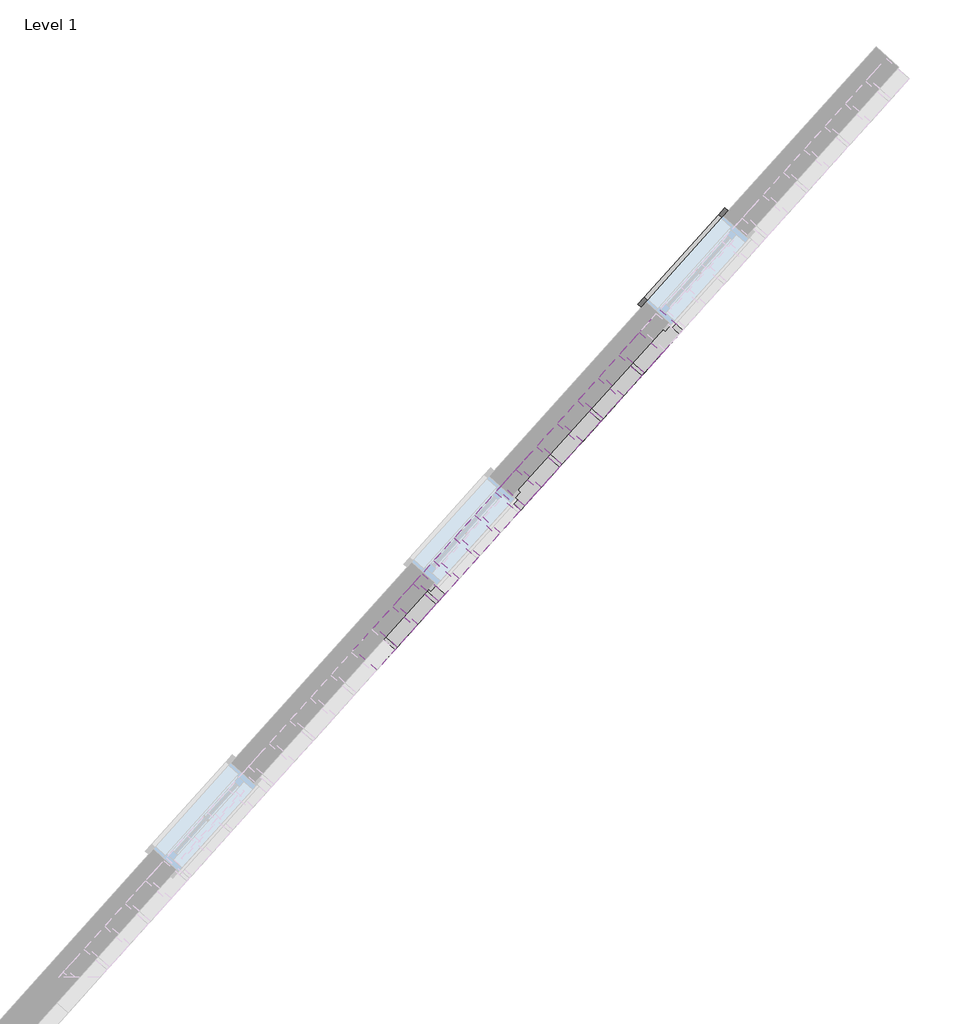
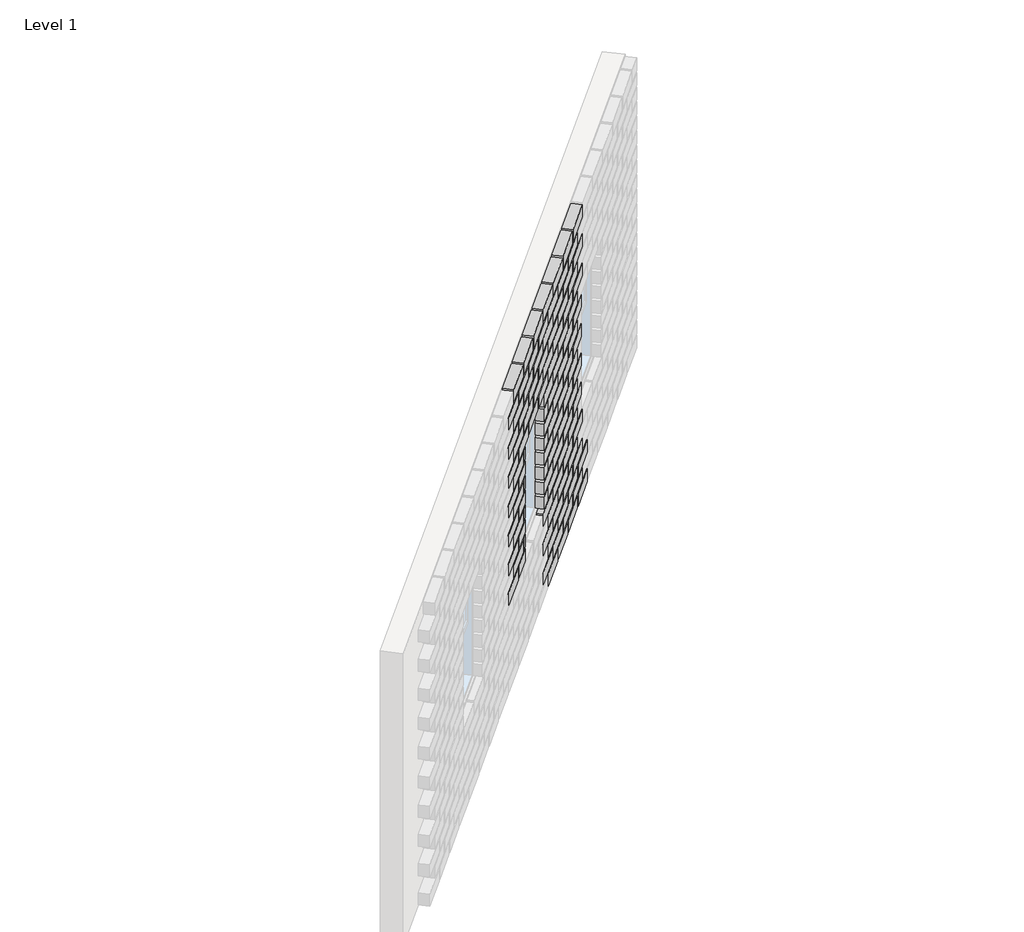
# One storey, part 3 of 4: 114 proxies.
"""IFC4 building model written with IfcOpenShell, lengths in millimetres."""

import ifcopenshell
import ifcopenshell.guid

model = None  # the IFC model being written
_history = None  # IfcOwnerHistory: only IFC2X3 demands one
_inside = {}  # id of a spatial element -> (the spatial element, [elements in it])
_under = {}  # id of a project, library or spatial element -> (it, [spatial elements below it])
_declared = {}  # id of a project -> (the project, [libraries it declares])
_typed = {}  # id of a type object -> (the type object, [elements of that type])
_made_of = {}  # id of a material, layer set ... -> (it, [elements and type objects made of it])


def new_model(schema):
    """Start an empty IFC model of exactly this schema.

    Asked for "IFC4X3", IfcOpenShell would pick the latest addendum, in which some entities
    have other attributes; the version numbers below select the first issue.
    IFC2X3 requires an IfcOwnerHistory on every rooted entity: one is made here for all.
    """
    global model, _history
    if schema == "IFC4X3":
        model = ifcopenshell.file(schema_version=(4, 3, 0, 0))
    else:
        model = ifcopenshell.file(schema=schema)
    _inside.clear()
    _under.clear()
    _declared.clear()
    _typed.clear()
    _made_of.clear()
    _history = None
    if model.schema == "IFC2X3":
        org = make("IfcOrganization", Name="unknown")
        user = make(
            "IfcPersonAndOrganization",
            ThePerson=make("IfcPerson", FamilyName="unknown"),
            TheOrganization=org,
        )
        app = make(
            "IfcApplication",
            ApplicationDeveloper=org,
            Version="unknown",
            ApplicationFullName="unknown",
            ApplicationIdentifier="unknown",
        )
        _history = make(
            "IfcOwnerHistory",
            OwningUser=user,
            OwningApplication=app,
            ChangeAction="ADDED",
            CreationDate=0,
        )
    return model


def make(cls, **values):
    """One entity of the class cls with the attributes given. An attribute that is None is left unset."""
    return model.create_entity(
        cls, **{name: value for name, value in values.items() if value is not None}
    )


def rooted(cls, **values):
    """An entity with a GlobalId (a new one), such as an element, a storey or a relation."""
    return make(cls, GlobalId=ifcopenshell.guid.new(), OwnerHistory=_history, **values)


def si_unit(unit_type, name, prefix=None):
    """IfcSIUnit, for example si_unit("LENGTHUNIT", "METRE", prefix="MILLI")."""
    return make("IfcSIUnit", UnitType=unit_type, Prefix=prefix, Name=name)


def assignment(units):
    """IfcUnitAssignment: the units of a project."""
    return None if units is None else make("IfcUnitAssignment", Units=units)


def point(xyz):
    """IfcCartesianPoint."""
    return None if xyz is None else make("IfcCartesianPoint", Coordinates=xyz)


def direction(xyz):
    """IfcDirection."""
    return None if xyz is None else make("IfcDirection", DirectionRatios=xyz)


def frame(location, z_axis=None, x_axis=None):
    """IfcAxis2Placement3D, a coordinate frame: its origin and axes. An axis left out is left unset."""
    return make(
        "IfcAxis2Placement3D",
        Location=point(location),
        Axis=direction(z_axis),
        RefDirection=direction(x_axis),
    )


def origin():
    """The frame at (0, 0, 0) with its axes left unset."""
    return frame((0.0, 0.0, 0.0))


def origin_with_axes():
    """The frame at (0, 0, 0) with the z axis (0, 0, 1) and the x axis (1, 0, 0) written out."""
    return frame((0.0, 0.0, 0.0), z_axis=(0.0, 0.0, 1.0), x_axis=(1.0, 0.0, 0.0))


def place(relative_to, where):
    """IfcLocalPlacement: puts the frame where relative to a parent placement (None: the world)."""
    return make(
        "IfcLocalPlacement", PlacementRelTo=relative_to, RelativePlacement=where
    )


def context(
    kind, dimensions, precision=None, world=None, true_north=None, identifier=None
):
    """IfcGeometricRepresentationContext, for example the 3D "Model" context."""
    return make(
        "IfcGeometricRepresentationContext",
        ContextIdentifier=identifier,
        ContextType=kind,
        CoordinateSpaceDimension=dimensions,
        Precision=precision,
        WorldCoordinateSystem=world,
        TrueNorth=true_north,
    )


def project(units=None, contexts=None):
    """IfcProject with its units and contexts."""
    return rooted(
        "IfcProject",
        Name="project",
        RepresentationContexts=contexts,
        UnitsInContext=assignment(units),
    )


def spatial(cls, under=None, at=None, **own):
    """A site, building, storey or space (cls), placed at a placement, below another one or the project."""
    s = rooted(cls, ObjectPlacement=at, **own)
    if under is not None:
        _under.setdefault(under.id(), (under, []))[1].append(s)
    return s


def polyline(points):
    """IfcPolyline through the points."""
    return make("IfcPolyline", Points=[point(p) for p in points])


def outline(outer, holes=None, kind="AREA"):
    """IfcArbitraryClosedProfileDef: a profile drawn as a closed curve; with holes, ...WithVoids."""
    if holes is None:
        return make("IfcArbitraryClosedProfileDef", ProfileType=kind, OuterCurve=outer)
    return make(
        "IfcArbitraryProfileDefWithVoids",
        ProfileType=kind,
        OuterCurve=outer,
        InnerCurves=holes,
    )


def extrude(swept, where, along, depth):
    """IfcExtrudedAreaSolid: the profile swept, set in the frame where, extruded along a direction by depth."""
    return make(
        "IfcExtrudedAreaSolid",
        SweptArea=swept,
        Position=where,
        ExtrudedDirection=direction(along),
        Depth=depth,
    )


def shape(context_of_items, identifier, shape_type, items):
    """IfcShapeRepresentation: the items that make up one representation, for example the "Body"."""
    return make(
        "IfcShapeRepresentation",
        ContextOfItems=context_of_items,
        RepresentationIdentifier=identifier,
        RepresentationType=shape_type,
        Items=items,
    )


def source(mapping_origin, context_of_items, identifier, shape_type, items):
    """IfcRepresentationMap: a shape defined once, which mapped items show again and again."""
    return make(
        "IfcRepresentationMap",
        MappingOrigin=mapping_origin,
        MappedRepresentation=shape(context_of_items, identifier, shape_type, items),
    )


def transform(
    local_origin,
    x_axis=None,
    y_axis=None,
    z_axis=None,
    scale=None,
    scale2=None,
    scale3=None,
    uniform=True,
):
    """IfcCartesianTransformationOperator3D, or its non-uniform kind. x_axis, y_axis, z_axis: its Axis1, 2, 3."""
    if uniform:
        return make(
            "IfcCartesianTransformationOperator3D",
            Axis1=direction(x_axis),
            Axis2=direction(y_axis),
            LocalOrigin=point(local_origin),
            Scale=scale,
            Axis3=direction(z_axis),
        )
    return make(
        "IfcCartesianTransformationOperator3DnonUniform",
        Axis1=direction(x_axis),
        Axis2=direction(y_axis),
        LocalOrigin=point(local_origin),
        Scale=scale,
        Axis3=direction(z_axis),
        Scale2=scale2,
        Scale3=scale3,
    )


def mapped(mapping_source, mapping_target):
    """IfcMappedItem: shows the shape of a source again, moved by a transform."""
    return make(
        "IfcMappedItem", MappingSource=mapping_source, MappingTarget=mapping_target
    )


def made_of(thing, what):
    """Note that an element or type object is made of a material, layer set ...; save() writes the relation."""
    if what is not None:
        _made_of.setdefault(what.id(), (what, []))[1].append(thing)
    return thing


def element(
    cls,
    number,
    at=None,
    inside=None,
    cuts=None,
    type_object=None,
    material=None,
    context=None,
    identifier="Body",
    shape_type=None,
    held_by="IfcProductDefinitionShape",
    body=None,
    shapes=None,
    **own,
):
    """One element of the class cls, such as IfcWall. Its Tag is "e" and its number.

    at: its placement. inside: the storey or other place that contains it. cuts: it is an
    opening in that element (IfcRelVoidsElement). A single representation is given by context,
    identifier, shape_type and body (its items); several are given by shapes. held_by: the class
    of the entity that holds the representations. save() writes the other relations.
    """
    e = rooted(cls, Tag="e%d" % number, ObjectPlacement=at, **own)
    if body is not None:
        shapes = [shape(context, identifier, shape_type, body)]
    if shapes is not None:
        e.Representation = make(held_by, Representations=shapes)
    if inside is not None:
        _inside.setdefault(inside.id(), (inside, []))[1].append(e)
    if cuts is not None:
        rooted(
            "IfcRelVoidsElement", RelatingBuildingElement=cuts, RelatedOpeningElement=e
        )
    if type_object is not None:
        _typed.setdefault(type_object.id(), (type_object, []))[1].append(e)
    return made_of(e, material)


def aggregate(whole, parts):
    """IfcRelAggregates: a whole, such as a stair, and the parts it consists of."""
    return rooted("IfcRelAggregates", RelatingObject=whole, RelatedObjects=parts)


def save(model, path):
    """Write the relations noted so far, then the file.

    IfcRelAggregates (storeys below a building ...), IfcRelContainedInSpatialStructure (elements
    in a storey), IfcRelDefinesByType, IfcRelAssociatesMaterial and IfcRelDeclares: one each for
    every whole, place, type object, material and project.
    """
    for whole, parts in _under.values():
        aggregate(whole, parts)
    for where, things in _inside.values():
        rooted(
            "IfcRelContainedInSpatialStructure",
            RelatedElements=things,
            RelatingStructure=where,
        )
    for kind, things in _typed.values():
        rooted("IfcRelDefinesByType", RelatedObjects=things, RelatingType=kind)
    for what, things in _made_of.values():
        rooted("IfcRelAssociatesMaterial", RelatedObjects=things, RelatingMaterial=what)
    for by, libraries in _declared.values():
        rooted("IfcRelDeclares", RelatingContext=by, RelatedDefinitions=libraries)
    model.write(path)


def brick_brick_1771d6b5(model_context):
    return source(origin(), model_context, "Body", "SweptSolid", [
        extrude(outline(polyline([(187.5, 100.0), (187.5, -100.0), (-187.5, -100.0), (-187.5, 100.0), (187.5, 100.0)])), frame((0.0, 0.0, -62.5), z_axis=(0.0, 0.0, 1.0), x_axis=(1.0, 0.0, 0.0)), (0.0, 0.0, 1.0), 125.0),
    ])


def brick_brick_e667c28f(model_context):
    return source(origin(), model_context, "Body", "SweptSolid", [
        extrude(outline(polyline([(68.9, 100.0), (68.9, -100.0), (-68.9, -100.0), (-68.9, 100.0), (68.9, 100.0)])), frame((0.0, 0.0, -62.5), z_axis=(0.0, 0.0, 1.0), x_axis=(1.0, 0.0, 0.0)), (0.0, 0.0, 1.0), 125.0),
    ])


def brick_brick_93c4e329(model_context):
    return source(origin(), model_context, "Body", "SweptSolid", [
        extrude(outline(polyline([(131.1, 100.0), (131.1, -100.0), (-131.1, -100.0), (-131.1, 100.0), (131.1, 100.0)])), frame((0.0, 0.0, -62.5), z_axis=(0.0, 0.0, 1.0), x_axis=(1.0, 0.0, 0.0)), (0.0, 0.0, 1.0), 125.0),
    ])


def brick_brick_d2aaa16a(model_context):
    return source(origin(), model_context, "Body", "SweptSolid", [
        extrude(outline(polyline([(169.65, 100.0), (169.65, -100.0), (-169.65, -100.0), (-169.65, 100.0), (169.65, 100.0)])), frame((0.0, 0.0, -62.5), z_axis=(0.0, 0.0, 1.0), x_axis=(1.0, 0.0, 0.0)), (0.0, 0.0, 1.0), 125.0),
    ])


def brick_brick_358cc9eb(model_context):
    return source(origin(), model_context, "Body", "SweptSolid", [
        extrude(outline(polyline([(168.9, 100.0), (168.9, -100.0), (-168.9, -100.0), (-168.9, 100.0), (168.9, 100.0)])), frame((0.0, 0.0, -62.5), z_axis=(0.0, 0.0, 1.0), x_axis=(1.0, 0.0, 0.0)), (0.0, 0.0, 1.0), 125.0),
    ])


def brick_brick_7f22ac85(model_context):
    return source(origin(), model_context, "Body", "SweptSolid", [
        extrude(outline(polyline([(31.1, 100.0), (31.1, -100.0), (-31.1, -100.0), (-31.1, 100.0), (31.1, 100.0)])), frame((0.0, 0.0, -62.5), z_axis=(0.0, 0.0, 1.0), x_axis=(1.0, 0.0, 0.0)), (0.0, 0.0, 1.0), 125.0),
    ])


def m_trim_window_interior_flat_picture_frame_31bd2320(model_context):
    return source(origin(), model_context, "Body", "SweptSolid", [
        extrude(outline(polyline([(422.3, 47.3), (422.3, -1247.3), (-422.3, -1247.3), (-422.3, 47.3), (422.3, 47.3)]), holes=[polyline([(362.3, -12.7), (-362.3, -12.7), (-362.3, -1187.3), (362.3, -1187.3), (362.3, -12.7)])]), origin_with_axes(), (0.0, 0.0, 1.0), 30.0),
    ])


model = new_model("IFC4")

# Units and contexts
model_context = context("Model", 3, world=origin())
ifc_project = project(units=[si_unit("LENGTHUNIT", "METRE", prefix="MILLI")], contexts=[model_context])

# Site, building, storey
site = spatial("IfcSite", under=ifc_project)
building = spatial("IfcBuilding", under=site)
storey = spatial("IfcBuildingStorey", under=building, Name="Level 1", Elevation=0.0)

# Proxies
placement = place(None, origin())
brick_brick_shape = brick_brick_1771d6b5(model_context)
element("IfcBuildingElementProxy", 1, Name="Brick : Brick", ObjectType="Brick : Brick", at=placement, inside=storey, context=model_context, shape_type="MappedRepresentation", body=[
    mapped(brick_brick_shape, transform((-6088.7857572, 9087.5738652, 75.0), x_axis=(-0.6691306063588586, -0.743144825477394, 0.0), y_axis=(0.743144825477394, -0.6691306063588586, 0.0), z_axis=(0.0, 0.0, 1.0))),
])
element("IfcBuildingElementProxy", 2, Name="Brick : Brick", ObjectType="Brick : Brick", at=placement, inside=storey, context=model_context, shape_type="MappedRepresentation", body=[
    mapped(brick_brick_shape, transform((-6356.4379997, 8790.315935, 75.0), x_axis=(-0.6691306063588586, -0.743144825477394, 0.0), y_axis=(0.743144825477394, -0.6691306063588586, 0.0), z_axis=(0.0, 0.0, 1.0))),
])
element("IfcBuildingElementProxy", 3, Name="Brick : Brick", ObjectType="Brick : Brick", at=placement, inside=storey, context=model_context, shape_type="MappedRepresentation", body=[
    mapped(brick_brick_shape, transform((-6624.0902423, 8493.0580048, 75.0), x_axis=(-0.6691306063588586, -0.743144825477394, 0.0), y_axis=(0.743144825477394, -0.6691306063588586, 0.0), z_axis=(0.0, 0.0, 1.0))),
])
element("IfcBuildingElementProxy", 4, Name="Brick : Brick", ObjectType="Brick : Brick", at=placement, inside=storey, context=model_context, shape_type="MappedRepresentation", body=[
    mapped(brick_brick_shape, transform((-6891.7424848, 8195.8000746, 75.0), x_axis=(-0.6691306063588586, -0.743144825477394, 0.0), y_axis=(0.743144825477394, -0.6691306063588586, 0.0), z_axis=(0.0, 0.0, 1.0))),
])
element("IfcBuildingElementProxy", 5, Name="Brick : Brick", ObjectType="Brick : Brick", at=placement, inside=storey, context=model_context, shape_type="MappedRepresentation", body=[
    mapped(brick_brick_shape, transform((-6222.6118785, 8938.9449001, 225.0), x_axis=(-0.6691306063588586, -0.743144825477394, 0.0), y_axis=(0.743144825477394, -0.6691306063588586, 0.0), z_axis=(0.0, 0.0, 1.0))),
])
element("IfcBuildingElementProxy", 6, Name="Brick : Brick", ObjectType="Brick : Brick", at=placement, inside=storey, context=model_context, shape_type="MappedRepresentation", body=[
    mapped(brick_brick_shape, transform((-6490.264121, 8641.6869699, 225.0), x_axis=(-0.6691306063588586, -0.743144825477394, 0.0), y_axis=(0.743144825477394, -0.6691306063588586, 0.0), z_axis=(0.0, 0.0, 1.0))),
])
element("IfcBuildingElementProxy", 7, Name="Brick : Brick", ObjectType="Brick : Brick", at=placement, inside=storey, context=model_context, shape_type="MappedRepresentation", body=[
    mapped(brick_brick_shape, transform((-6757.9163636, 8344.4290397, 225.0), x_axis=(-0.6691306063588586, -0.743144825477394, 0.0), y_axis=(0.743144825477394, -0.6691306063588586, 0.0), z_axis=(0.0, 0.0, 1.0))),
])
element("IfcBuildingElementProxy", 8, Name="Brick : Brick", ObjectType="Brick : Brick", at=placement, inside=storey, context=model_context, shape_type="MappedRepresentation", body=[
    mapped(brick_brick_shape, transform((-7025.5686061, 8047.1711095, 225.0), x_axis=(-0.6691306063588586, -0.743144825477394, 0.0), y_axis=(0.743144825477394, -0.6691306063588586, 0.0), z_axis=(0.0, 0.0, 1.0))),
])
element("IfcBuildingElementProxy", 9, Name="Brick : Brick", ObjectType="Brick : Brick", at=placement, inside=storey, context=model_context, shape_type="MappedRepresentation", body=[
    mapped(brick_brick_shape, transform((-6088.7857572, 9087.5738652, 375.0), x_axis=(-0.6691306063588586, -0.743144825477394, 0.0), y_axis=(0.743144825477394, -0.6691306063588586, 0.0), z_axis=(0.0, 0.0, 1.0))),
])
element("IfcBuildingElementProxy", 10, Name="Brick : Brick", ObjectType="Brick : Brick", at=placement, inside=storey, context=model_context, shape_type="MappedRepresentation", body=[
    mapped(brick_brick_shape, transform((-6356.4379997, 8790.315935, 375.0), x_axis=(-0.6691306063588586, -0.743144825477394, 0.0), y_axis=(0.743144825477394, -0.6691306063588586, 0.0), z_axis=(0.0, 0.0, 1.0))),
])
element("IfcBuildingElementProxy", 11, Name="Brick : Brick", ObjectType="Brick : Brick", at=placement, inside=storey, context=model_context, shape_type="MappedRepresentation", body=[
    mapped(brick_brick_shape, transform((-6624.0902423, 8493.0580048, 375.0), x_axis=(-0.6691306063588586, -0.743144825477394, 0.0), y_axis=(0.743144825477394, -0.6691306063588586, 0.0), z_axis=(0.0, 0.0, 1.0))),
])
element("IfcBuildingElementProxy", 12, Name="Brick : Brick", ObjectType="Brick : Brick", at=placement, inside=storey, context=model_context, shape_type="MappedRepresentation", body=[
    mapped(brick_brick_shape, transform((-6891.7424848, 8195.8000746, 375.0), x_axis=(-0.6691306063588586, -0.743144825477394, 0.0), y_axis=(0.743144825477394, -0.6691306063588586, 0.0), z_axis=(0.0, 0.0, 1.0))),
])
element("IfcBuildingElementProxy", 13, Name="Brick : Brick", ObjectType="Brick : Brick", at=placement, inside=storey, context=model_context, shape_type="MappedRepresentation", body=[
    mapped(brick_brick_shape, transform((-6222.6118785, 8938.9449001, 525.0), x_axis=(-0.6691306063588586, -0.743144825477394, 0.0), y_axis=(0.743144825477394, -0.6691306063588586, 0.0), z_axis=(0.0, 0.0, 1.0))),
])
element("IfcBuildingElementProxy", 14, Name="Brick : Brick", ObjectType="Brick : Brick", at=placement, inside=storey, context=model_context, shape_type="MappedRepresentation", body=[
    mapped(brick_brick_shape, transform((-6490.264121, 8641.6869699, 525.0), x_axis=(-0.6691306063588586, -0.743144825477394, 0.0), y_axis=(0.743144825477394, -0.6691306063588586, 0.0), z_axis=(0.0, 0.0, 1.0))),
])
element("IfcBuildingElementProxy", 15, Name="Brick : Brick", ObjectType="Brick : Brick", at=placement, inside=storey, context=model_context, shape_type="MappedRepresentation", body=[
    mapped(brick_brick_shape, transform((-6757.9163636, 8344.4290397, 525.0), x_axis=(-0.6691306063588586, -0.743144825477394, 0.0), y_axis=(0.743144825477394, -0.6691306063588586, 0.0), z_axis=(0.0, 0.0, 1.0))),
])
element("IfcBuildingElementProxy", 16, Name="Brick : Brick", ObjectType="Brick : Brick", at=placement, inside=storey, context=model_context, shape_type="MappedRepresentation", body=[
    mapped(brick_brick_shape, transform((-7025.5686061, 8047.1711095, 525.0), x_axis=(-0.6691306063588586, -0.743144825477394, 0.0), y_axis=(0.743144825477394, -0.6691306063588586, 0.0), z_axis=(0.0, 0.0, 1.0))),
])
element("IfcBuildingElementProxy", 17, Name="Brick : Brick", ObjectType="Brick : Brick", at=placement, inside=storey, context=model_context, shape_type="MappedRepresentation", body=[
    mapped(brick_brick_shape, transform((-6356.4379997, 8790.315935, 675.0), x_axis=(-0.6691306063588586, -0.743144825477394, 0.0), y_axis=(0.743144825477394, -0.6691306063588586, 0.0), z_axis=(0.0, 0.0, 1.0))),
])
element("IfcBuildingElementProxy", 18, Name="Brick : Brick", ObjectType="Brick : Brick", at=placement, inside=storey, context=model_context, shape_type="MappedRepresentation", body=[
    mapped(brick_brick_shape, transform((-6624.0902423, 8493.0580048, 675.0), x_axis=(-0.6691306063588586, -0.743144825477394, 0.0), y_axis=(0.743144825477394, -0.6691306063588586, 0.0), z_axis=(0.0, 0.0, 1.0))),
])
element("IfcBuildingElementProxy", 19, Name="Brick : Brick", ObjectType="Brick : Brick", at=placement, inside=storey, context=model_context, shape_type="MappedRepresentation", body=[
    mapped(brick_brick_shape, transform((-6891.7424848, 8195.8000746, 675.0), x_axis=(-0.6691306063588586, -0.743144825477394, 0.0), y_axis=(0.743144825477394, -0.6691306063588586, 0.0), z_axis=(0.0, 0.0, 1.0))),
])
element("IfcBuildingElementProxy", 20, Name="Brick : Brick", ObjectType="Brick : Brick", at=placement, inside=storey, context=model_context, shape_type="MappedRepresentation", body=[
    mapped(brick_brick_shape, transform((-6222.6118785, 8938.9449001, 825.0), x_axis=(-0.6691306063588586, -0.743144825477394, 0.0), y_axis=(0.743144825477394, -0.6691306063588586, 0.0), z_axis=(0.0, 0.0, 1.0))),
])
element("IfcBuildingElementProxy", 21, Name="Brick : Brick", ObjectType="Brick : Brick", at=placement, inside=storey, context=model_context, shape_type="MappedRepresentation", body=[
    mapped(brick_brick_shape, transform((-6490.264121, 8641.6869699, 825.0), x_axis=(-0.6691306063588586, -0.743144825477394, 0.0), y_axis=(0.743144825477394, -0.6691306063588586, 0.0), z_axis=(0.0, 0.0, 1.0))),
])
element("IfcBuildingElementProxy", 22, Name="Brick : Brick", ObjectType="Brick : Brick", at=placement, inside=storey, context=model_context, shape_type="MappedRepresentation", body=[
    mapped(brick_brick_shape, transform((-6757.9163636, 8344.4290397, 825.0), x_axis=(-0.6691306063588586, -0.743144825477394, 0.0), y_axis=(0.743144825477394, -0.6691306063588586, 0.0), z_axis=(0.0, 0.0, 1.0))),
])
element("IfcBuildingElementProxy", 23, Name="Brick : Brick", ObjectType="Brick : Brick", at=placement, inside=storey, context=model_context, shape_type="MappedRepresentation", body=[
    mapped(brick_brick_shape, transform((-7025.5686061, 8047.1711095, 825.0), x_axis=(-0.6691306063588586, -0.743144825477394, 0.0), y_axis=(0.743144825477394, -0.6691306063588586, 0.0), z_axis=(0.0, 0.0, 1.0))),
])
element("IfcBuildingElementProxy", 24, Name="Brick : Brick", ObjectType="Brick : Brick", at=placement, inside=storey, context=model_context, shape_type="MappedRepresentation", body=[
    mapped(brick_brick_shape, transform((-6356.4379997, 8790.315935, 975.0), x_axis=(-0.6691306063588586, -0.743144825477394, 0.0), y_axis=(0.743144825477394, -0.6691306063588586, 0.0), z_axis=(0.0, 0.0, 1.0))),
])
element("IfcBuildingElementProxy", 25, Name="Brick : Brick", ObjectType="Brick : Brick", at=placement, inside=storey, context=model_context, shape_type="MappedRepresentation", body=[
    mapped(brick_brick_shape, transform((-6624.0902423, 8493.0580048, 975.0), x_axis=(-0.6691306063588586, -0.743144825477394, 0.0), y_axis=(0.743144825477394, -0.6691306063588586, 0.0), z_axis=(0.0, 0.0, 1.0))),
])
element("IfcBuildingElementProxy", 26, Name="Brick : Brick", ObjectType="Brick : Brick", at=placement, inside=storey, context=model_context, shape_type="MappedRepresentation", body=[
    mapped(brick_brick_shape, transform((-6891.7424848, 8195.8000746, 975.0), x_axis=(-0.6691306063588586, -0.743144825477394, 0.0), y_axis=(0.743144825477394, -0.6691306063588586, 0.0), z_axis=(0.0, 0.0, 1.0))),
])
element("IfcBuildingElementProxy", 27, Name="Brick : Brick", ObjectType="Brick : Brick", at=placement, inside=storey, context=model_context, shape_type="MappedRepresentation", body=[
    mapped(brick_brick_shape, transform((-7962.351455, 7006.7683538, 975.0), x_axis=(-0.6691306063588586, -0.743144825477394, 0.0), y_axis=(0.743144825477394, -0.6691306063588586, 0.0), z_axis=(0.0, 0.0, 1.0))),
])
element("IfcBuildingElementProxy", 28, Name="Brick : Brick", ObjectType="Brick : Brick", at=placement, inside=storey, context=model_context, shape_type="MappedRepresentation", body=[
    mapped(brick_brick_shape, transform((-6490.264121, 8641.6869699, 1125.0), x_axis=(-0.6691306063588586, -0.743144825477394, 0.0), y_axis=(0.743144825477394, -0.6691306063588586, 0.0), z_axis=(0.0, 0.0, 1.0))),
])
element("IfcBuildingElementProxy", 29, Name="Brick : Brick", ObjectType="Brick : Brick", at=placement, inside=storey, context=model_context, shape_type="MappedRepresentation", body=[
    mapped(brick_brick_shape, transform((-6757.9163636, 8344.4290397, 1125.0), x_axis=(-0.6691306063588586, -0.743144825477394, 0.0), y_axis=(0.743144825477394, -0.6691306063588586, 0.0), z_axis=(0.0, 0.0, 1.0))),
])
element("IfcBuildingElementProxy", 30, Name="Brick : Brick", ObjectType="Brick : Brick", at=placement, inside=storey, context=model_context, shape_type="MappedRepresentation", body=[
    mapped(brick_brick_shape, transform((-7828.5253337, 7155.3973189, 1125.0), x_axis=(-0.6691306063588586, -0.743144825477394, 0.0), y_axis=(0.743144825477394, -0.6691306063588586, 0.0), z_axis=(0.0, 0.0, 1.0))),
])
element("IfcBuildingElementProxy", 31, Name="Brick : Brick", ObjectType="Brick : Brick", at=placement, inside=storey, context=model_context, shape_type="MappedRepresentation", body=[
    mapped(brick_brick_shape, transform((-6356.4379997, 8790.315935, 1275.0), x_axis=(-0.6691306063588586, -0.743144825477394, 0.0), y_axis=(0.743144825477394, -0.6691306063588586, 0.0), z_axis=(0.0, 0.0, 1.0))),
])
element("IfcBuildingElementProxy", 32, Name="Brick : Brick", ObjectType="Brick : Brick", at=placement, inside=storey, context=model_context, shape_type="MappedRepresentation", body=[
    mapped(brick_brick_shape, transform((-6624.0902423, 8493.0580048, 1275.0), x_axis=(-0.6691306063588586, -0.743144825477394, 0.0), y_axis=(0.743144825477394, -0.6691306063588586, 0.0), z_axis=(0.0, 0.0, 1.0))),
])
element("IfcBuildingElementProxy", 33, Name="Brick : Brick", ObjectType="Brick : Brick", at=placement, inside=storey, context=model_context, shape_type="MappedRepresentation", body=[
    mapped(brick_brick_shape, transform((-6891.7424848, 8195.8000746, 1275.0), x_axis=(-0.6691306063588586, -0.743144825477394, 0.0), y_axis=(0.743144825477394, -0.6691306063588586, 0.0), z_axis=(0.0, 0.0, 1.0))),
])
element("IfcBuildingElementProxy", 34, Name="Brick : Brick", ObjectType="Brick : Brick", at=placement, inside=storey, context=model_context, shape_type="MappedRepresentation", body=[
    mapped(brick_brick_shape, transform((-7962.351455, 7006.7683538, 1275.0), x_axis=(-0.6691306063588586, -0.743144825477394, 0.0), y_axis=(0.743144825477394, -0.6691306063588586, 0.0), z_axis=(0.0, 0.0, 1.0))),
])
element("IfcBuildingElementProxy", 35, Name="Brick : Brick", ObjectType="Brick : Brick", at=placement, inside=storey, context=model_context, shape_type="MappedRepresentation", body=[
    mapped(brick_brick_shape, transform((-6490.264121, 8641.6869699, 1425.0), x_axis=(-0.6691306063588586, -0.743144825477394, 0.0), y_axis=(0.743144825477394, -0.6691306063588586, 0.0), z_axis=(0.0, 0.0, 1.0))),
])
element("IfcBuildingElementProxy", 36, Name="Brick : Brick", ObjectType="Brick : Brick", at=placement, inside=storey, context=model_context, shape_type="MappedRepresentation", body=[
    mapped(brick_brick_shape, transform((-6757.9163636, 8344.4290397, 1425.0), x_axis=(-0.6691306063588586, -0.743144825477394, 0.0), y_axis=(0.743144825477394, -0.6691306063588586, 0.0), z_axis=(0.0, 0.0, 1.0))),
])
element("IfcBuildingElementProxy", 37, Name="Brick : Brick", ObjectType="Brick : Brick", at=placement, inside=storey, context=model_context, shape_type="MappedRepresentation", body=[
    mapped(brick_brick_shape, transform((-7828.5253337, 7155.3973189, 1425.0), x_axis=(-0.6691306063588586, -0.743144825477394, 0.0), y_axis=(0.743144825477394, -0.6691306063588586, 0.0), z_axis=(0.0, 0.0, 1.0))),
])
element("IfcBuildingElementProxy", 38, Name="Brick : Brick", ObjectType="Brick : Brick", at=placement, inside=storey, context=model_context, shape_type="MappedRepresentation", body=[
    mapped(brick_brick_shape, transform((-6356.4379997, 8790.315935, 1575.0), x_axis=(-0.6691306063588586, -0.743144825477394, 0.0), y_axis=(0.743144825477394, -0.6691306063588586, 0.0), z_axis=(0.0, 0.0, 1.0))),
])
element("IfcBuildingElementProxy", 39, Name="Brick : Brick", ObjectType="Brick : Brick", at=placement, inside=storey, context=model_context, shape_type="MappedRepresentation", body=[
    mapped(brick_brick_shape, transform((-6624.0902423, 8493.0580048, 1575.0), x_axis=(-0.6691306063588586, -0.743144825477394, 0.0), y_axis=(0.743144825477394, -0.6691306063588586, 0.0), z_axis=(0.0, 0.0, 1.0))),
])
element("IfcBuildingElementProxy", 40, Name="Brick : Brick", ObjectType="Brick : Brick", at=placement, inside=storey, context=model_context, shape_type="MappedRepresentation", body=[
    mapped(brick_brick_shape, transform((-6891.7424848, 8195.8000746, 1575.0), x_axis=(-0.6691306063588586, -0.743144825477394, 0.0), y_axis=(0.743144825477394, -0.6691306063588586, 0.0), z_axis=(0.0, 0.0, 1.0))),
])
element("IfcBuildingElementProxy", 41, Name="Brick : Brick", ObjectType="Brick : Brick", at=placement, inside=storey, context=model_context, shape_type="MappedRepresentation", body=[
    mapped(brick_brick_shape, transform((-7962.351455, 7006.7683538, 1575.0), x_axis=(-0.6691306063588586, -0.743144825477394, 0.0), y_axis=(0.743144825477394, -0.6691306063588586, 0.0), z_axis=(0.0, 0.0, 1.0))),
])
element("IfcBuildingElementProxy", 42, Name="Brick : Brick", ObjectType="Brick : Brick", at=placement, inside=storey, context=model_context, shape_type="MappedRepresentation", body=[
    mapped(brick_brick_shape, transform((-6490.264121, 8641.6869699, 1725.0), x_axis=(-0.6691306063588586, -0.743144825477394, 0.0), y_axis=(0.743144825477394, -0.6691306063588586, 0.0), z_axis=(0.0, 0.0, 1.0))),
])
element("IfcBuildingElementProxy", 43, Name="Brick : Brick", ObjectType="Brick : Brick", at=placement, inside=storey, context=model_context, shape_type="MappedRepresentation", body=[
    mapped(brick_brick_shape, transform((-6757.9163636, 8344.4290397, 1725.0), x_axis=(-0.6691306063588586, -0.743144825477394, 0.0), y_axis=(0.743144825477394, -0.6691306063588586, 0.0), z_axis=(0.0, 0.0, 1.0))),
])
element("IfcBuildingElementProxy", 44, Name="Brick : Brick", ObjectType="Brick : Brick", at=placement, inside=storey, context=model_context, shape_type="MappedRepresentation", body=[
    mapped(brick_brick_shape, transform((-7828.5253337, 7155.3973189, 1725.0), x_axis=(-0.6691306063588586, -0.743144825477394, 0.0), y_axis=(0.743144825477394, -0.6691306063588586, 0.0), z_axis=(0.0, 0.0, 1.0))),
])
element("IfcBuildingElementProxy", 45, Name="Brick : Brick", ObjectType="Brick : Brick", at=placement, inside=storey, context=model_context, shape_type="MappedRepresentation", body=[
    mapped(brick_brick_shape, transform((-6356.4379997, 8790.315935, 1875.0), x_axis=(-0.6691306063588586, -0.743144825477394, 0.0), y_axis=(0.743144825477394, -0.6691306063588586, 0.0), z_axis=(0.0, 0.0, 1.0))),
])
element("IfcBuildingElementProxy", 46, Name="Brick : Brick", ObjectType="Brick : Brick", at=placement, inside=storey, context=model_context, shape_type="MappedRepresentation", body=[
    mapped(brick_brick_shape, transform((-6624.0902423, 8493.0580048, 1875.0), x_axis=(-0.6691306063588586, -0.743144825477394, 0.0), y_axis=(0.743144825477394, -0.6691306063588586, 0.0), z_axis=(0.0, 0.0, 1.0))),
])
element("IfcBuildingElementProxy", 47, Name="Brick : Brick", ObjectType="Brick : Brick", at=placement, inside=storey, context=model_context, shape_type="MappedRepresentation", body=[
    mapped(brick_brick_shape, transform((-6891.7424848, 8195.8000746, 1875.0), x_axis=(-0.6691306063588586, -0.743144825477394, 0.0), y_axis=(0.743144825477394, -0.6691306063588586, 0.0), z_axis=(0.0, 0.0, 1.0))),
])
element("IfcBuildingElementProxy", 48, Name="Brick : Brick", ObjectType="Brick : Brick", at=placement, inside=storey, context=model_context, shape_type="MappedRepresentation", body=[
    mapped(brick_brick_shape, transform((-7962.351455, 7006.7683538, 1875.0), x_axis=(-0.6691306063588586, -0.743144825477394, 0.0), y_axis=(0.743144825477394, -0.6691306063588586, 0.0), z_axis=(0.0, 0.0, 1.0))),
])
element("IfcBuildingElementProxy", 49, Name="Brick : Brick", ObjectType="Brick : Brick", at=placement, inside=storey, context=model_context, shape_type="MappedRepresentation", body=[
    mapped(brick_brick_shape, transform((-6490.264121, 8641.6869699, 2025.0), x_axis=(-0.6691306063588586, -0.743144825477394, 0.0), y_axis=(0.743144825477394, -0.6691306063588586, 0.0), z_axis=(0.0, 0.0, 1.0))),
])
element("IfcBuildingElementProxy", 50, Name="Brick : Brick", ObjectType="Brick : Brick", at=placement, inside=storey, context=model_context, shape_type="MappedRepresentation", body=[
    mapped(brick_brick_shape, transform((-6757.9163636, 8344.4290397, 2025.0), x_axis=(-0.6691306063588586, -0.743144825477394, 0.0), y_axis=(0.743144825477394, -0.6691306063588586, 0.0), z_axis=(0.0, 0.0, 1.0))),
])
element("IfcBuildingElementProxy", 51, Name="Brick : Brick", ObjectType="Brick : Brick", at=placement, inside=storey, context=model_context, shape_type="MappedRepresentation", body=[
    mapped(brick_brick_shape, transform((-7828.5253337, 7155.3973189, 2025.0), x_axis=(-0.6691306063588586, -0.743144825477394, 0.0), y_axis=(0.743144825477394, -0.6691306063588586, 0.0), z_axis=(0.0, 0.0, 1.0))),
])
element("IfcBuildingElementProxy", 52, Name="Brick : Brick", ObjectType="Brick : Brick", at=placement, inside=storey, context=model_context, shape_type="MappedRepresentation", body=[
    mapped(brick_brick_shape, transform((-6356.4379997, 8790.315935, 2175.0), x_axis=(-0.6691306063588586, -0.743144825477394, 0.0), y_axis=(0.743144825477394, -0.6691306063588586, 0.0), z_axis=(0.0, 0.0, 1.0))),
])
element("IfcBuildingElementProxy", 53, Name="Brick : Brick", ObjectType="Brick : Brick", at=placement, inside=storey, context=model_context, shape_type="MappedRepresentation", body=[
    mapped(brick_brick_shape, transform((-6624.0902423, 8493.0580048, 2175.0), x_axis=(-0.6691306063588586, -0.743144825477394, 0.0), y_axis=(0.743144825477394, -0.6691306063588586, 0.0), z_axis=(0.0, 0.0, 1.0))),
])
element("IfcBuildingElementProxy", 54, Name="Brick : Brick", ObjectType="Brick : Brick", at=placement, inside=storey, context=model_context, shape_type="MappedRepresentation", body=[
    mapped(brick_brick_shape, transform((-6891.7424848, 8195.8000746, 2175.0), x_axis=(-0.6691306063588586, -0.743144825477394, 0.0), y_axis=(0.743144825477394, -0.6691306063588586, 0.0), z_axis=(0.0, 0.0, 1.0))),
])
element("IfcBuildingElementProxy", 55, Name="Brick : Brick", ObjectType="Brick : Brick", at=placement, inside=storey, context=model_context, shape_type="MappedRepresentation", body=[
    mapped(brick_brick_shape, transform((-7159.3947274, 7898.5421444, 2175.0), x_axis=(-0.6691306063588586, -0.743144825477394, 0.0), y_axis=(0.743144825477394, -0.6691306063588586, 0.0), z_axis=(0.0, 0.0, 1.0))),
])
element("IfcBuildingElementProxy", 56, Name="Brick : Brick", ObjectType="Brick : Brick", at=placement, inside=storey, context=model_context, shape_type="MappedRepresentation", body=[
    mapped(brick_brick_shape, transform((-7427.0469699, 7601.2842142, 2175.0), x_axis=(-0.6691306063588586, -0.743144825477394, 0.0), y_axis=(0.743144825477394, -0.6691306063588586, 0.0), z_axis=(0.0, 0.0, 1.0))),
])
element("IfcBuildingElementProxy", 57, Name="Brick : Brick", ObjectType="Brick : Brick", at=placement, inside=storey, context=model_context, shape_type="MappedRepresentation", body=[
    mapped(brick_brick_shape, transform((-7694.6992125, 7304.026284, 2175.0), x_axis=(-0.6691306063588586, -0.743144825477394, 0.0), y_axis=(0.743144825477394, -0.6691306063588586, 0.0), z_axis=(0.0, 0.0, 1.0))),
])
element("IfcBuildingElementProxy", 58, Name="Brick : Brick", ObjectType="Brick : Brick", at=placement, inside=storey, context=model_context, shape_type="MappedRepresentation", body=[
    mapped(brick_brick_shape, transform((-7962.351455, 7006.7683538, 2175.0), x_axis=(-0.6691306063588586, -0.743144825477394, 0.0), y_axis=(0.743144825477394, -0.6691306063588586, 0.0), z_axis=(0.0, 0.0, 1.0))),
])
element("IfcBuildingElementProxy", 59, Name="Brick : Brick", ObjectType="Brick : Brick", at=placement, inside=storey, context=model_context, shape_type="MappedRepresentation", body=[
    mapped(brick_brick_shape, transform((-6222.6118785, 8938.9449001, 2325.0), x_axis=(-0.6691306063588586, -0.743144825477394, 0.0), y_axis=(0.743144825477394, -0.6691306063588586, 0.0), z_axis=(0.0, 0.0, 1.0))),
])
element("IfcBuildingElementProxy", 60, Name="Brick : Brick", ObjectType="Brick : Brick", at=placement, inside=storey, context=model_context, shape_type="MappedRepresentation", body=[
    mapped(brick_brick_shape, transform((-6490.264121, 8641.6869699, 2325.0), x_axis=(-0.6691306063588586, -0.743144825477394, 0.0), y_axis=(0.743144825477394, -0.6691306063588586, 0.0), z_axis=(0.0, 0.0, 1.0))),
])
element("IfcBuildingElementProxy", 61, Name="Brick : Brick", ObjectType="Brick : Brick", at=placement, inside=storey, context=model_context, shape_type="MappedRepresentation", body=[
    mapped(brick_brick_shape, transform((-6757.9163636, 8344.4290397, 2325.0), x_axis=(-0.6691306063588586, -0.743144825477394, 0.0), y_axis=(0.743144825477394, -0.6691306063588586, 0.0), z_axis=(0.0, 0.0, 1.0))),
])
element("IfcBuildingElementProxy", 62, Name="Brick : Brick", ObjectType="Brick : Brick", at=placement, inside=storey, context=model_context, shape_type="MappedRepresentation", body=[
    mapped(brick_brick_shape, transform((-7025.5686061, 8047.1711095, 2325.0), x_axis=(-0.6691306063588586, -0.743144825477394, 0.0), y_axis=(0.743144825477394, -0.6691306063588586, 0.0), z_axis=(0.0, 0.0, 1.0))),
])
element("IfcBuildingElementProxy", 63, Name="Brick : Brick", ObjectType="Brick : Brick", at=placement, inside=storey, context=model_context, shape_type="MappedRepresentation", body=[
    mapped(brick_brick_shape, transform((-7293.2208486, 7749.9131793, 2325.0), x_axis=(-0.6691306063588586, -0.743144825477394, 0.0), y_axis=(0.743144825477394, -0.6691306063588586, 0.0), z_axis=(0.0, 0.0, 1.0))),
])
element("IfcBuildingElementProxy", 64, Name="Brick : Brick", ObjectType="Brick : Brick", at=placement, inside=storey, context=model_context, shape_type="MappedRepresentation", body=[
    mapped(brick_brick_shape, transform((-7560.8730912, 7452.6552491, 2325.0), x_axis=(-0.6691306063588586, -0.743144825477394, 0.0), y_axis=(0.743144825477394, -0.6691306063588586, 0.0), z_axis=(0.0, 0.0, 1.0))),
])
element("IfcBuildingElementProxy", 65, Name="Brick : Brick", ObjectType="Brick : Brick", at=placement, inside=storey, context=model_context, shape_type="MappedRepresentation", body=[
    mapped(brick_brick_shape, transform((-7828.5253337, 7155.3973189, 2325.0), x_axis=(-0.6691306063588586, -0.743144825477394, 0.0), y_axis=(0.743144825477394, -0.6691306063588586, 0.0), z_axis=(0.0, 0.0, 1.0))),
])
element("IfcBuildingElementProxy", 66, Name="Brick : Brick", ObjectType="Brick : Brick", at=placement, inside=storey, context=model_context, shape_type="MappedRepresentation", body=[
    mapped(brick_brick_shape, transform((-6356.4379997, 8790.315935, 2475.0), x_axis=(-0.6691306063588586, -0.743144825477394, 0.0), y_axis=(0.743144825477394, -0.6691306063588586, 0.0), z_axis=(0.0, 0.0, 1.0))),
])
element("IfcBuildingElementProxy", 67, Name="Brick : Brick", ObjectType="Brick : Brick", at=placement, inside=storey, context=model_context, shape_type="MappedRepresentation", body=[
    mapped(brick_brick_shape, transform((-6624.0902423, 8493.0580048, 2475.0), x_axis=(-0.6691306063588586, -0.743144825477394, 0.0), y_axis=(0.743144825477394, -0.6691306063588586, 0.0), z_axis=(0.0, 0.0, 1.0))),
])
element("IfcBuildingElementProxy", 68, Name="Brick : Brick", ObjectType="Brick : Brick", at=placement, inside=storey, context=model_context, shape_type="MappedRepresentation", body=[
    mapped(brick_brick_shape, transform((-6891.7424848, 8195.8000746, 2475.0), x_axis=(-0.6691306063588586, -0.743144825477394, 0.0), y_axis=(0.743144825477394, -0.6691306063588586, 0.0), z_axis=(0.0, 0.0, 1.0))),
])
element("IfcBuildingElementProxy", 69, Name="Brick : Brick", ObjectType="Brick : Brick", at=placement, inside=storey, context=model_context, shape_type="MappedRepresentation", body=[
    mapped(brick_brick_shape, transform((-7159.3947274, 7898.5421444, 2475.0), x_axis=(-0.6691306063588586, -0.743144825477394, 0.0), y_axis=(0.743144825477394, -0.6691306063588586, 0.0), z_axis=(0.0, 0.0, 1.0))),
])
element("IfcBuildingElementProxy", 70, Name="Brick : Brick", ObjectType="Brick : Brick", at=placement, inside=storey, context=model_context, shape_type="MappedRepresentation", body=[
    mapped(brick_brick_shape, transform((-7427.0469699, 7601.2842142, 2475.0), x_axis=(-0.6691306063588586, -0.743144825477394, 0.0), y_axis=(0.743144825477394, -0.6691306063588586, 0.0), z_axis=(0.0, 0.0, 1.0))),
])
element("IfcBuildingElementProxy", 71, Name="Brick : Brick", ObjectType="Brick : Brick", at=placement, inside=storey, context=model_context, shape_type="MappedRepresentation", body=[
    mapped(brick_brick_shape, transform((-7694.6992125, 7304.026284, 2475.0), x_axis=(-0.6691306063588586, -0.743144825477394, 0.0), y_axis=(0.743144825477394, -0.6691306063588586, 0.0), z_axis=(0.0, 0.0, 1.0))),
])
element("IfcBuildingElementProxy", 72, Name="Brick : Brick", ObjectType="Brick : Brick", at=placement, inside=storey, context=model_context, shape_type="MappedRepresentation", body=[
    mapped(brick_brick_shape, transform((-7962.351455, 7006.7683538, 2475.0), x_axis=(-0.6691306063588586, -0.743144825477394, 0.0), y_axis=(0.743144825477394, -0.6691306063588586, 0.0), z_axis=(0.0, 0.0, 1.0))),
])
element("IfcBuildingElementProxy", 73, Name="Brick : Brick", ObjectType="Brick : Brick", at=placement, inside=storey, context=model_context, shape_type="MappedRepresentation", body=[
    mapped(brick_brick_shape, transform((-6222.6118785, 8938.9449001, 2625.0), x_axis=(-0.6691306063588586, -0.743144825477394, 0.0), y_axis=(0.743144825477394, -0.6691306063588586, 0.0), z_axis=(0.0, 0.0, 1.0))),
])
element("IfcBuildingElementProxy", 74, Name="Brick : Brick", ObjectType="Brick : Brick", at=placement, inside=storey, context=model_context, shape_type="MappedRepresentation", body=[
    mapped(brick_brick_shape, transform((-6490.264121, 8641.6869699, 2625.0), x_axis=(-0.6691306063588586, -0.743144825477394, 0.0), y_axis=(0.743144825477394, -0.6691306063588586, 0.0), z_axis=(0.0, 0.0, 1.0))),
])
element("IfcBuildingElementProxy", 75, Name="Brick : Brick", ObjectType="Brick : Brick", at=placement, inside=storey, context=model_context, shape_type="MappedRepresentation", body=[
    mapped(brick_brick_shape, transform((-6757.9163636, 8344.4290397, 2625.0), x_axis=(-0.6691306063588586, -0.743144825477394, 0.0), y_axis=(0.743144825477394, -0.6691306063588586, 0.0), z_axis=(0.0, 0.0, 1.0))),
])
element("IfcBuildingElementProxy", 76, Name="Brick : Brick", ObjectType="Brick : Brick", at=placement, inside=storey, context=model_context, shape_type="MappedRepresentation", body=[
    mapped(brick_brick_shape, transform((-7025.5686061, 8047.1711095, 2625.0), x_axis=(-0.6691306063588586, -0.743144825477394, 0.0), y_axis=(0.743144825477394, -0.6691306063588586, 0.0), z_axis=(0.0, 0.0, 1.0))),
])
element("IfcBuildingElementProxy", 77, Name="Brick : Brick", ObjectType="Brick : Brick", at=placement, inside=storey, context=model_context, shape_type="MappedRepresentation", body=[
    mapped(brick_brick_shape, transform((-7293.2208486, 7749.9131793, 2625.0), x_axis=(-0.6691306063588586, -0.743144825477394, 0.0), y_axis=(0.743144825477394, -0.6691306063588586, 0.0), z_axis=(0.0, 0.0, 1.0))),
])
element("IfcBuildingElementProxy", 78, Name="Brick : Brick", ObjectType="Brick : Brick", at=placement, inside=storey, context=model_context, shape_type="MappedRepresentation", body=[
    mapped(brick_brick_shape, transform((-7560.8730912, 7452.6552491, 2625.0), x_axis=(-0.6691306063588586, -0.743144825477394, 0.0), y_axis=(0.743144825477394, -0.6691306063588586, 0.0), z_axis=(0.0, 0.0, 1.0))),
])
element("IfcBuildingElementProxy", 79, Name="Brick : Brick", ObjectType="Brick : Brick", at=placement, inside=storey, context=model_context, shape_type="MappedRepresentation", body=[
    mapped(brick_brick_shape, transform((-7828.5253337, 7155.3973189, 2625.0), x_axis=(-0.6691306063588586, -0.743144825477394, 0.0), y_axis=(0.743144825477394, -0.6691306063588586, 0.0), z_axis=(0.0, 0.0, 1.0))),
])
element("IfcBuildingElementProxy", 80, Name="Brick : Brick", ObjectType="Brick : Brick", at=placement, inside=storey, context=model_context, shape_type="MappedRepresentation", body=[
    mapped(brick_brick_shape, transform((-6356.4379997, 8790.315935, 2775.0), x_axis=(-0.6691306063588586, -0.743144825477394, 0.0), y_axis=(0.743144825477394, -0.6691306063588586, 0.0), z_axis=(0.0, 0.0, 1.0))),
])
element("IfcBuildingElementProxy", 81, Name="Brick : Brick", ObjectType="Brick : Brick", at=placement, inside=storey, context=model_context, shape_type="MappedRepresentation", body=[
    mapped(brick_brick_shape, transform((-6624.0902423, 8493.0580048, 2775.0), x_axis=(-0.6691306063588586, -0.743144825477394, 0.0), y_axis=(0.743144825477394, -0.6691306063588586, 0.0), z_axis=(0.0, 0.0, 1.0))),
])
element("IfcBuildingElementProxy", 82, Name="Brick : Brick", ObjectType="Brick : Brick", at=placement, inside=storey, context=model_context, shape_type="MappedRepresentation", body=[
    mapped(brick_brick_shape, transform((-6891.7424848, 8195.8000746, 2775.0), x_axis=(-0.6691306063588586, -0.743144825477394, 0.0), y_axis=(0.743144825477394, -0.6691306063588586, 0.0), z_axis=(0.0, 0.0, 1.0))),
])
element("IfcBuildingElementProxy", 83, Name="Brick : Brick", ObjectType="Brick : Brick", at=placement, inside=storey, context=model_context, shape_type="MappedRepresentation", body=[
    mapped(brick_brick_shape, transform((-7159.3947274, 7898.5421444, 2775.0), x_axis=(-0.6691306063588586, -0.743144825477394, 0.0), y_axis=(0.743144825477394, -0.6691306063588586, 0.0), z_axis=(0.0, 0.0, 1.0))),
])
element("IfcBuildingElementProxy", 84, Name="Brick : Brick", ObjectType="Brick : Brick", at=placement, inside=storey, context=model_context, shape_type="MappedRepresentation", body=[
    mapped(brick_brick_shape, transform((-7427.0469699, 7601.2842142, 2775.0), x_axis=(-0.6691306063588586, -0.743144825477394, 0.0), y_axis=(0.743144825477394, -0.6691306063588586, 0.0), z_axis=(0.0, 0.0, 1.0))),
])
element("IfcBuildingElementProxy", 85, Name="Brick : Brick", ObjectType="Brick : Brick", at=placement, inside=storey, context=model_context, shape_type="MappedRepresentation", body=[
    mapped(brick_brick_shape, transform((-7694.6992125, 7304.026284, 2775.0), x_axis=(-0.6691306063588586, -0.743144825477394, 0.0), y_axis=(0.743144825477394, -0.6691306063588586, 0.0), z_axis=(0.0, 0.0, 1.0))),
])
element("IfcBuildingElementProxy", 86, Name="Brick : Brick", ObjectType="Brick : Brick", at=placement, inside=storey, context=model_context, shape_type="MappedRepresentation", body=[
    mapped(brick_brick_shape, transform((-7962.351455, 7006.7683538, 2775.0), x_axis=(-0.6691306063588586, -0.743144825477394, 0.0), y_axis=(0.743144825477394, -0.6691306063588586, 0.0), z_axis=(0.0, 0.0, 1.0))),
])
element("IfcBuildingElementProxy", 87, Name="Brick : Brick", ObjectType="Brick : Brick", at=placement, inside=storey, context=model_context, shape_type="MappedRepresentation", body=[
    mapped(brick_brick_shape, transform((-6222.6118785, 8938.9449001, 2925.0), x_axis=(-0.6691306063588586, -0.743144825477394, 0.0), y_axis=(0.743144825477394, -0.6691306063588586, 0.0), z_axis=(0.0, 0.0, 1.0))),
])
element("IfcBuildingElementProxy", 88, Name="Brick : Brick", ObjectType="Brick : Brick", at=placement, inside=storey, context=model_context, shape_type="MappedRepresentation", body=[
    mapped(brick_brick_shape, transform((-6490.264121, 8641.6869699, 2925.0), x_axis=(-0.6691306063588586, -0.743144825477394, 0.0), y_axis=(0.743144825477394, -0.6691306063588586, 0.0), z_axis=(0.0, 0.0, 1.0))),
])
element("IfcBuildingElementProxy", 89, Name="Brick : Brick", ObjectType="Brick : Brick", at=placement, inside=storey, context=model_context, shape_type="MappedRepresentation", body=[
    mapped(brick_brick_shape, transform((-6757.9163636, 8344.4290397, 2925.0), x_axis=(-0.6691306063588586, -0.743144825477394, 0.0), y_axis=(0.743144825477394, -0.6691306063588586, 0.0), z_axis=(0.0, 0.0, 1.0))),
])
element("IfcBuildingElementProxy", 90, Name="Brick : Brick", ObjectType="Brick : Brick", at=placement, inside=storey, context=model_context, shape_type="MappedRepresentation", body=[
    mapped(brick_brick_shape, transform((-7025.5686061, 8047.1711095, 2925.0), x_axis=(-0.6691306063588586, -0.743144825477394, 0.0), y_axis=(0.743144825477394, -0.6691306063588586, 0.0), z_axis=(0.0, 0.0, 1.0))),
])
element("IfcBuildingElementProxy", 91, Name="Brick : Brick", ObjectType="Brick : Brick", at=placement, inside=storey, context=model_context, shape_type="MappedRepresentation", body=[
    mapped(brick_brick_shape, transform((-7293.2208486, 7749.9131793, 2925.0), x_axis=(-0.6691306063588586, -0.743144825477394, 0.0), y_axis=(0.743144825477394, -0.6691306063588586, 0.0), z_axis=(0.0, 0.0, 1.0))),
])
element("IfcBuildingElementProxy", 92, Name="Brick : Brick", ObjectType="Brick : Brick", at=placement, inside=storey, context=model_context, shape_type="MappedRepresentation", body=[
    mapped(brick_brick_shape, transform((-7560.8730912, 7452.6552491, 2925.0), x_axis=(-0.6691306063588586, -0.743144825477394, 0.0), y_axis=(0.743144825477394, -0.6691306063588586, 0.0), z_axis=(0.0, 0.0, 1.0))),
])
element("IfcBuildingElementProxy", 93, Name="Brick : Brick", ObjectType="Brick : Brick", at=placement, inside=storey, context=model_context, shape_type="MappedRepresentation", body=[
    mapped(brick_brick_shape, transform((-7828.5253337, 7155.3973189, 2925.0), x_axis=(-0.6691306063588586, -0.743144825477394, 0.0), y_axis=(0.743144825477394, -0.6691306063588586, 0.0), z_axis=(0.0, 0.0, 1.0))),
])
brick_brick_2_shape = brick_brick_e667c28f(model_context)
element("IfcBuildingElementProxy", 94, Name="Brick : Brick", ObjectType="Brick : Brick", at=placement, inside=storey, context=model_context, shape_type="MappedRepresentation", body=[
    mapped(brick_brick_2_shape, transform((-7080.0358375, 7986.6791207, 975.0), x_axis=(-0.6691306063588586, -0.743144825477394, 0.0), y_axis=(0.743144825477394, -0.6691306063588586, 0.0), z_axis=(0.0, 0.0, 1.0))),
])
element("IfcBuildingElementProxy", 95, Name="Brick : Brick", ObjectType="Brick : Brick", at=placement, inside=storey, context=model_context, shape_type="MappedRepresentation", body=[
    mapped(brick_brick_2_shape, transform((-7080.0358375, 7986.6791207, 1275.0), x_axis=(-0.6691306063588586, -0.743144825477394, 0.0), y_axis=(0.743144825477394, -0.6691306063588586, 0.0), z_axis=(0.0, 0.0, 1.0))),
])
element("IfcBuildingElementProxy", 96, Name="Brick : Brick", ObjectType="Brick : Brick", at=placement, inside=storey, context=model_context, shape_type="MappedRepresentation", body=[
    mapped(brick_brick_2_shape, transform((-7080.0358375, 7986.6791207, 1575.0), x_axis=(-0.6691306063588586, -0.743144825477394, 0.0), y_axis=(0.743144825477394, -0.6691306063588586, 0.0), z_axis=(0.0, 0.0, 1.0))),
])
element("IfcBuildingElementProxy", 97, Name="Brick : Brick", ObjectType="Brick : Brick", at=placement, inside=storey, context=model_context, shape_type="MappedRepresentation", body=[
    mapped(brick_brick_2_shape, transform((-7080.0358375, 7986.6791207, 1875.0), x_axis=(-0.6691306063588586, -0.743144825477394, 0.0), y_axis=(0.743144825477394, -0.6691306063588586, 0.0), z_axis=(0.0, 0.0, 1.0))),
])
brick_brick_3_shape = brick_brick_93c4e329(model_context)
element("IfcBuildingElementProxy", 98, Name="Brick : Brick", ObjectType="Brick : Brick", at=placement, inside=storey, context=model_context, shape_type="MappedRepresentation", body=[
    mapped(brick_brick_3_shape, transform((-7732.4110737, 7262.143019, 975.0), x_axis=(-0.6691306063588586, -0.743144825477394, 0.0), y_axis=(0.743144825477394, -0.6691306063588586, 0.0), z_axis=(0.0, 0.0, 1.0))),
])
element("IfcBuildingElementProxy", 99, Name="Brick : Brick", ObjectType="Brick : Brick", at=placement, inside=storey, context=model_context, shape_type="MappedRepresentation", body=[
    mapped(brick_brick_3_shape, transform((-7732.4110737, 7262.143019, 1275.0), x_axis=(-0.6691306063588586, -0.743144825477394, 0.0), y_axis=(0.743144825477394, -0.6691306063588586, 0.0), z_axis=(0.0, 0.0, 1.0))),
])
element("IfcBuildingElementProxy", 100, Name="Brick : Brick", ObjectType="Brick : Brick", at=placement, inside=storey, context=model_context, shape_type="MappedRepresentation", body=[
    mapped(brick_brick_3_shape, transform((-7732.4110737, 7262.143019, 1575.0), x_axis=(-0.6691306063588586, -0.743144825477394, 0.0), y_axis=(0.743144825477394, -0.6691306063588586, 0.0), z_axis=(0.0, 0.0, 1.0))),
])
element("IfcBuildingElementProxy", 101, Name="Brick : Brick", ObjectType="Brick : Brick", at=placement, inside=storey, context=model_context, shape_type="MappedRepresentation", body=[
    mapped(brick_brick_3_shape, transform((-7732.4110737, 7262.143019, 1875.0), x_axis=(-0.6691306063588586, -0.743144825477394, 0.0), y_axis=(0.743144825477394, -0.6691306063588586, 0.0), z_axis=(0.0, 0.0, 1.0))),
])
brick_brick_4_shape = brick_brick_d2aaa16a(model_context)
element("IfcBuildingElementProxy", 102, Name="Brick : Brick", ObjectType="Brick : Brick", at=placement, inside=storey, context=model_context, shape_type="MappedRepresentation", body=[
    mapped(brick_brick_4_shape, transform((-6234.525899, 8925.7130398, 1125.0), x_axis=(-0.6691306063588586, -0.743144825477394, 0.0), y_axis=(0.743144825477394, -0.6691306063588586, 0.0), z_axis=(0.0, 0.0, 1.0))),
])
element("IfcBuildingElementProxy", 103, Name="Brick : Brick", ObjectType="Brick : Brick", at=placement, inside=storey, context=model_context, shape_type="MappedRepresentation", body=[
    mapped(brick_brick_4_shape, transform((-6234.525899, 8925.7130398, 1425.0), x_axis=(-0.6691306063588586, -0.743144825477394, 0.0), y_axis=(0.743144825477394, -0.6691306063588586, 0.0), z_axis=(0.0, 0.0, 1.0))),
])
element("IfcBuildingElementProxy", 104, Name="Brick : Brick", ObjectType="Brick : Brick", at=placement, inside=storey, context=model_context, shape_type="MappedRepresentation", body=[
    mapped(brick_brick_4_shape, transform((-6234.525899, 8925.7130398, 1725.0), x_axis=(-0.6691306063588586, -0.743144825477394, 0.0), y_axis=(0.743144825477394, -0.6691306063588586, 0.0), z_axis=(0.0, 0.0, 1.0))),
])
element("IfcBuildingElementProxy", 105, Name="Brick : Brick", ObjectType="Brick : Brick", at=placement, inside=storey, context=model_context, shape_type="MappedRepresentation", body=[
    mapped(brick_brick_4_shape, transform((-6234.525899, 8925.7130398, 2025.0), x_axis=(-0.6691306063588586, -0.743144825477394, 0.0), y_axis=(0.743144825477394, -0.6691306063588586, 0.0), z_axis=(0.0, 0.0, 1.0))),
])
brick_brick_5_shape = brick_brick_358cc9eb(model_context)
element("IfcBuildingElementProxy", 106, Name="Brick : Brick", ObjectType="Brick : Brick", at=placement, inside=storey, context=model_context, shape_type="MappedRepresentation", body=[
    mapped(brick_brick_5_shape, transform((-7013.1227768, 8060.9936033, 1125.0), x_axis=(-0.6691306063588586, -0.743144825477394, 0.0), y_axis=(0.743144825477394, -0.6691306063588586, 0.0), z_axis=(0.0, 0.0, 1.0))),
])
element("IfcBuildingElementProxy", 107, Name="Brick : Brick", ObjectType="Brick : Brick", at=placement, inside=storey, context=model_context, shape_type="MappedRepresentation", body=[
    mapped(brick_brick_5_shape, transform((-7013.1227768, 8060.9936033, 1425.0), x_axis=(-0.6691306063588586, -0.743144825477394, 0.0), y_axis=(0.743144825477394, -0.6691306063588586, 0.0), z_axis=(0.0, 0.0, 1.0))),
])
element("IfcBuildingElementProxy", 108, Name="Brick : Brick", ObjectType="Brick : Brick", at=placement, inside=storey, context=model_context, shape_type="MappedRepresentation", body=[
    mapped(brick_brick_5_shape, transform((-7013.1227768, 8060.9936033, 1725.0), x_axis=(-0.6691306063588586, -0.743144825477394, 0.0), y_axis=(0.743144825477394, -0.6691306063588586, 0.0), z_axis=(0.0, 0.0, 1.0))),
])
element("IfcBuildingElementProxy", 109, Name="Brick : Brick", ObjectType="Brick : Brick", at=placement, inside=storey, context=model_context, shape_type="MappedRepresentation", body=[
    mapped(brick_brick_5_shape, transform((-7013.1227768, 8060.9936033, 2025.0), x_axis=(-0.6691306063588586, -0.743144825477394, 0.0), y_axis=(0.743144825477394, -0.6691306063588586, 0.0), z_axis=(0.0, 0.0, 1.0))),
])
brick_brick_6_shape = brick_brick_7f22ac85(model_context)
element("IfcBuildingElementProxy", 110, Name="Brick : Brick", ObjectType="Brick : Brick", at=placement, inside=storey, context=model_context, shape_type="MappedRepresentation", body=[
    mapped(brick_brick_6_shape, transform((-7665.4980131, 7336.4575015, 1125.0), x_axis=(-0.6691306063588586, -0.743144825477394, 0.0), y_axis=(0.743144825477394, -0.6691306063588586, 0.0), z_axis=(0.0, 0.0, 1.0))),
])
element("IfcBuildingElementProxy", 111, Name="Brick : Brick", ObjectType="Brick : Brick", at=placement, inside=storey, context=model_context, shape_type="MappedRepresentation", body=[
    mapped(brick_brick_6_shape, transform((-7665.4980131, 7336.4575015, 1425.0), x_axis=(-0.6691306063588586, -0.743144825477394, 0.0), y_axis=(0.743144825477394, -0.6691306063588586, 0.0), z_axis=(0.0, 0.0, 1.0))),
])
element("IfcBuildingElementProxy", 112, Name="Brick : Brick", ObjectType="Brick : Brick", at=placement, inside=storey, context=model_context, shape_type="MappedRepresentation", body=[
    mapped(brick_brick_6_shape, transform((-7665.4980131, 7336.4575015, 1725.0), x_axis=(-0.6691306063588586, -0.743144825477394, 0.0), y_axis=(0.743144825477394, -0.6691306063588586, 0.0), z_axis=(0.0, 0.0, 1.0))),
])
element("IfcBuildingElementProxy", 113, Name="Brick : Brick", ObjectType="Brick : Brick", at=placement, inside=storey, context=model_context, shape_type="MappedRepresentation", body=[
    mapped(brick_brick_6_shape, transform((-7665.4980131, 7336.4575015, 2025.0), x_axis=(-0.6691306063588586, -0.743144825477394, 0.0), y_axis=(0.743144825477394, -0.6691306063588586, 0.0), z_axis=(0.0, 0.0, 1.0))),
])
m_trim_window_interior_flat_picture_frame_shape = m_trim_window_interior_flat_picture_frame_31bd2320(model_context)
element("IfcBuildingElementProxy", 114, Name="M_Trim-Window-Interior-Flat : Picture Frame", ObjectType="M_Trim-Window-Interior-Flat : Picture Frame", at=placement, inside=storey, context=model_context, shape_type="MappedRepresentation", body=[
    mapped(m_trim_window_interior_flat_picture_frame_shape, transform((-6010.3487467, 9473.5823006, 2114.4), x_axis=(-0.6691306063588587, -0.7431448254773939, 0.0), y_axis=(0.0, 0.0, 1.0), z_axis=(-0.7431448254773939, 0.6691306063588587, 0.0))),
])

save(model, "model.ifc")
